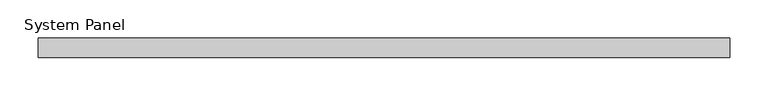
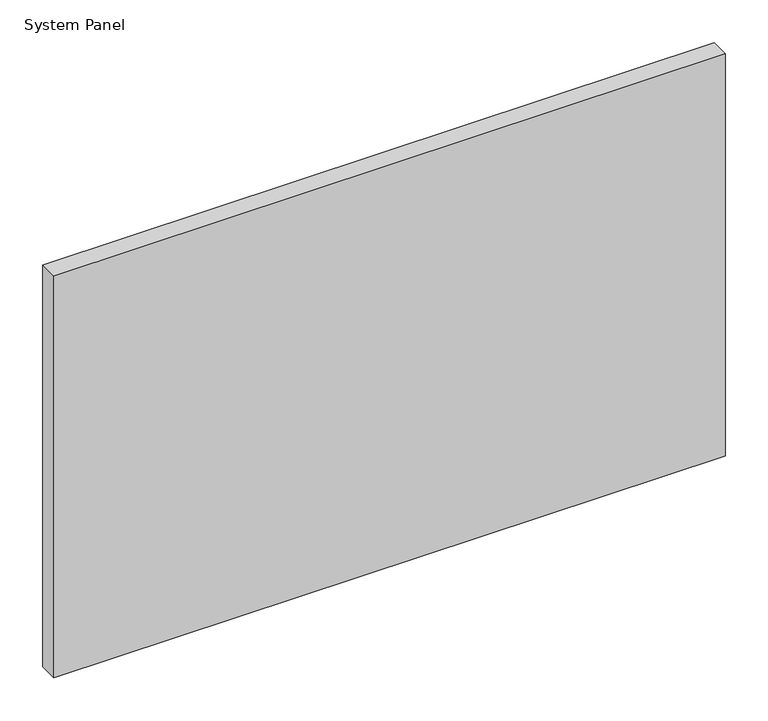
"""IFC4 building model written with IfcOpenShell, lengths in millimetres: plate geometry, System Panel."""

from ifc_helpers import new_model, si_unit, origin, origin_with_axes, place, context, project, spatial, polyline, outline, extrude, source, transform, mapped, element, save


def system_panel_41508d60(model_context):
    return source(origin(), model_context, "Body", "SweptSolid", [
        extrude(outline(polyline([(450.8500002, 19.05), (-450.8500002, 19.05), (-450.8500002, 44.45), (450.8500002, 44.45), (450.8500002, 19.05)])), origin_with_axes(), (0.0, 0.0, 1.0), 571.3260192),
    ])


if __name__ == "__main__":
    model = new_model("IFC4")
    model_context = context("Model", 3, world=origin())
    ifc_project = project(units=[si_unit("LENGTHUNIT", "METRE", prefix="MILLI")], contexts=[model_context])
    site = spatial("IfcSite", under=ifc_project)
    building = spatial("IfcBuilding", under=site)
    placement = place(None, origin())
    system_panel_shape = system_panel_41508d60(model_context)
    element("IfcPlate", 1, ObjectType="System Panel", at=placement, inside=building, context=model_context, shape_type="MappedRepresentation", body=[
        mapped(system_panel_shape, transform((0.0, 0.0, 0.0), x_axis=(1.0, 0.0, 0.0), y_axis=(0.0, 1.0, 0.0), z_axis=(0.0, 0.0, 1.0))),
    ])
    save(model, "model.ifc")
